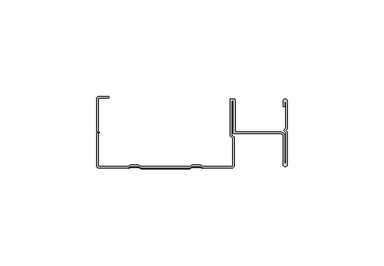
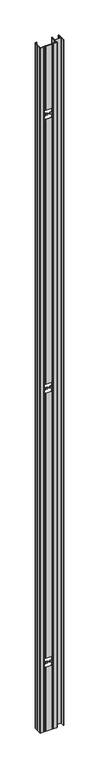
"""IFC4 building model written with IfcOpenShell, lengths in millimetres: proxy geometry."""

from ifc_helpers import new_model, si_unit, frame, origin, place, context, project, spatial, polyline, circle_curve, source, transform, mapped, element, save
from ifc_brep_helpers import plane_surface, cylinder_surface, revolved_surface, advanced_brep


def generic_models_7305a562(model_context):
    return source(origin(), model_context, "Body", "AdvancedBrep", [
        advanced_brep(
        [(-48.45, 36.2, 3000.0), (-42.95, 36.2, 3000.0), (-42.95, 37.0, 3000.0), (-48.15, 37.0, 3000.0), (-49.25, 35.9, 3000.0), (-49.25, 19.0, 3000.0), (-48.45, 18.5, 3000.0), (-49.25, 18.0, 3000.0), (-49.25, 1.1, 3000.0), (-48.15, 0.0, 3000.0), (-33.25, 0.0, 3000.0), (-31.75, 0.8, 3000.0), (-29.75, 0.8, 3000.0), (-27.75, 0.8, 3000.0), (-26.25, 0.0, 3000.0), (-1.2430409, 0.0, 3000.0), (0.2569591, 0.8, 3000.0), (2.2569591, 0.8, 3000.0), (4.2569591, 0.8, 3000.0), (5.7569591, 0.0, 3000.0), (20.6569591, 0.0, 3000.0), (21.7569591, 1.1, 3000.0), (21.7569591, 16.0924116, 3000.0), (20.45, 16.950429, 3000.0), (20.45, 34.3226497, 3000.0), (21.45, 34.9, 3000.0), (21.45, 17.7372826, 3000.0), (46.0194341, 17.7372826, 3000.0), (47.1194341, 16.6372826, 3000.0), (47.1194341, 1.8, 3000.0), (48.1847171, 0.700548, 3000.0), (49.25, 1.8, 3000.0), (49.25, 18.7, 3000.0), (48.45, 19.5, 3000.0), (49.25, 20.3, 3000.0), (49.25, 34.6, 3000.0), (48.1847171, 35.699452, 3000.0), (47.1194341, 34.6, 3000.0), (47.1194341, 31.722038, 3000.0), (47.9194341, 31.722038, 3000.0), (47.9194341, 34.6, 3000.0), (48.45, 33.5416995, 3000.0), (48.45, 20.6313708, 3000.0), (47.3186292, 19.5, 3000.0), (48.45, 18.3686292, 3000.0), (48.45, 2.718967, 3000.0), (47.9194341, 1.8, 3000.0), (47.9194341, 16.6372826, 3000.0), (46.0194341, 18.5372826, 3000.0), (22.25, 18.5372826, 3000.0), (22.25, 34.9, 3000.0), (21.8985281, 35.7485281, 3000.0), (20.0014719, 35.7485281, 3000.0), (19.65, 34.9, 3000.0), (19.65, 17.1663255, 3000.0), (20.1914377, 16.1631826, 3000.0), (20.9569591, 15.6606186, 3000.0), (20.9569591, 0.8, 3000.0), (5.7569591, 0.8, 3000.0), (4.2569591, 1.6, 3000.0), (0.2569591, 1.6, 3000.0), (-1.2430409, 0.8, 3000.0), (-26.25, 0.8, 3000.0), (-27.75, 1.6, 3000.0), (-31.75, 1.6, 3000.0), (-33.25, 0.8, 3000.0), (-48.45, 0.8, 3000.0), (-48.45, 18.0, 3000.0), (-47.65, 18.5, 3000.0), (-48.45, 19.0, 3000.0), (-48.45, 36.2, 0.0), (-48.45, 19.0, 0.0), (-47.65, 18.5, 0.0), (-48.45, 18.0, 0.0), (-48.45, 0.8, 0.0), (-33.25, 0.8, 0.0), (-31.75, 1.6, 0.0), (-27.75, 1.6, 0.0), (-26.25, 0.8, 0.0), (-1.2430409, 0.8, 0.0), (0.2569591, 1.6, 0.0), (4.2569591, 1.6, 0.0), (5.7569591, 0.8, 0.0), (20.9569591, 0.8, 0.0), (20.9569591, 15.6606186, 0.0), (20.1914377, 16.1631826, 0.0), (19.65, 17.1663255, 0.0), (19.65, 34.9, 0.0), (20.0014719, 35.7485281, 0.0), (21.8985281, 35.7485281, 0.0), (22.25, 34.9, 0.0), (22.25, 18.5372826, 0.0), (46.0194341, 18.5372826, 0.0), (47.9194341, 16.6372826, 0.0), (47.9194341, 1.8, 0.0), (48.45, 2.718967, 0.0), (48.45, 18.3686292, 0.0), (47.3186292, 19.5, 0.0), (48.45, 20.6313708, 0.0), (48.45, 33.5416995, 0.0), (47.9194341, 34.6, 0.0), (47.9194341, 31.722038, 0.0), (47.1194341, 31.722038, 0.0), (47.1194341, 34.6, 0.0), (48.1847171, 35.699452, 0.0), (49.25, 34.6, 0.0), (49.25, 20.3, 0.0), (48.45, 19.5, 0.0), (49.25, 18.7, 0.0), (49.25, 1.8, 0.0), (48.1847171, 0.700548, 0.0), (47.1194341, 1.8, 0.0), (47.1194341, 16.6372826, 0.0), (46.0194341, 17.7372826, 0.0), (21.45, 17.7372826, 0.0), (21.45, 34.9, 0.0), (20.45, 34.3226497, 0.0), (20.45, 16.950429, 0.0), (21.7569591, 16.0924116, 0.0), (21.7569591, 1.1, 0.0), (20.6569591, 0.0, 0.0), (5.7569591, 0.0, 0.0), (4.2569591, 0.8, 0.0), (2.2569591, 0.8, 0.0), (0.2569591, 0.8, 0.0), (-1.2430409, 0.0, 0.0), (-26.25, 0.0, 0.0), (-27.75, 0.8, 0.0), (-29.75, 0.8, 0.0), (-31.75, 0.8, 0.0), (-33.25, 0.0, 0.0), (-48.15, 0.0, 0.0), (-49.25, 1.1, 0.0), (-49.25, 18.0, 0.0), (-48.45, 18.5, 0.0), (-49.25, 19.0, 0.0), (-49.25, 35.9, 0.0), (-48.15, 37.0, 0.0), (-42.95, 37.0, 0.0), (-42.95, 36.2, 0.0), (-31.75, 0.8, 280.0), (-32.7465205, 0.2685224, 280.0), (-32.7465205, 0.2685224, 295.0), (-31.75, 0.8, 295.099652), (-31.75, 0.8, 304.900348), (-32.7465205, 0.2685224, 305.0), (-32.7465205, 0.2685224, 320.0), (-31.75, 0.8, 320.0), (-31.75, 0.8, 1480.0), (-32.7465205, 0.2685224, 1480.0), (-32.7465205, 0.2685224, 1495.0), (-31.75, 0.8, 1495.099652), (-31.75, 0.8, 1504.900348), (-32.7465205, 0.2685224, 1505.0), (-32.7465205, 0.2685224, 1520.0), (-31.75, 0.8, 1520.0), (-31.75, 0.8, 2680.0), (-32.7465205, 0.2685224, 2680.0), (-32.7465205, 0.2685224, 2695.0), (-31.75, 0.8, 2695.099652), (-31.75, 0.8, 2704.900348), (-32.7465205, 0.2685224, 2705.0), (-32.7465205, 0.2685224, 2720.0), (-31.75, 0.8, 2720.0), (-29.75, 0.8, 2720.0), (-29.75, 0.8, 280.0), (-29.75, 0.8, 295.299652), (-29.75, 0.8, 304.700348), (-29.75, 0.8, 1495.299652), (-29.75, 0.8, 1504.700348), (-29.75, 0.8, 2695.299652), (-29.75, 0.8, 2704.700348), (-29.75, 0.8, 320.0), (-29.75, 0.8, 1480.0), (-29.75, 0.8, 1520.0), (-29.75, 0.8, 2680.0), (-27.75, 0.8, 2720.0), (-27.75, 0.8, 280.0), (-27.75, 0.8, 295.499652), (-27.75, 0.8, 304.500348), (-27.75, 0.8, 1495.499652), (-27.75, 0.8, 1504.500348), (-27.75, 0.8, 2695.499652), (-27.75, 0.8, 2704.500348), (-27.75, 0.8, 320.0), (-27.75, 0.8, 1480.0), (-27.75, 0.8, 1520.0), (-27.75, 0.8, 2680.0), (-26.25, 0.0, 2720.0), (-26.25, 0.0, 280.0), (-26.25, 0.0, 295.649652), (-26.25, 0.0, 304.350348), (-26.25, 0.0, 1495.649652), (-26.25, 0.0, 1504.350348), (-26.25, 0.0, 2695.649652), (-26.25, 0.0, 2704.350348), (-26.25, 0.0, 320.0), (-26.25, 0.0, 1480.0), (-26.25, 0.0, 1520.0), (-26.25, 0.0, 2680.0), (-1.2430409, 0.0, 2720.0), (-1.2430409, 0.0, 280.0), (-18.6470168, 0.0, 296.4099504), (-17.7465205, 0.0, 297.4049876), (-17.7465205, 0.0, 302.5950124), (-18.6470168, 0.0, 303.5900496), (-18.6470168, 0.0, 1496.4099504), (-17.7465205, 0.0, 1497.4049876), (-17.7465205, 0.0, 1502.5950124), (-18.6470168, 0.0, 1503.5900496), (-18.6470168, 0.0, 2696.4099504), (-17.7465205, 0.0, 2697.4049876), (-17.7465205, 0.0, 2702.5950124), (-18.6470168, 0.0, 2703.5900496), (-1.2430409, 0.0, 295.649652), (-1.2430409, 0.0, 304.350348), (-8.8460242, 0.0, 303.5900496), (-9.7465205, 0.0, 302.5950124), (-9.7465205, 0.0, 297.4049876), (-8.8460242, 0.0, 296.4099504), (-1.2430409, 0.0, 320.0), (-1.2430409, 0.0, 1480.0), (-1.2430409, 0.0, 1520.0), (-1.2430409, 0.0, 2680.0), (-1.2430409, 0.0, 1495.649652), (-1.2430409, 0.0, 1504.350348), (-8.8460242, 0.0, 1503.5900496), (-9.7465205, 0.0, 1502.5950124), (-9.7465205, 0.0, 1497.4049876), (-8.8460242, 0.0, 1496.4099504), (-1.2430409, 0.0, 2695.649652), (-1.2430409, 0.0, 2704.350348), (-8.8460242, 0.0, 2703.5900496), (-9.7465205, 0.0, 2702.5950124), (-9.7465205, 0.0, 2697.4049876), (-8.8460242, 0.0, 2696.4099504), (0.2569591, 0.8, 2720.0), (0.2569591, 0.8, 280.0), (0.2569591, 0.8, 295.499652), (0.2569591, 0.8, 304.500348), (0.2569591, 0.8, 1495.499652), (0.2569591, 0.8, 1504.500348), (0.2569591, 0.8, 2695.499652), (0.2569591, 0.8, 2704.500348), (0.2569591, 0.8, 320.0), (0.2569591, 0.8, 1480.0), (0.2569591, 0.8, 1520.0), (0.2569591, 0.8, 2680.0), (2.2569591, 0.8, 2720.0), (2.2569591, 0.8, 280.0), (2.2569591, 0.8, 295.299652), (2.2569591, 0.8, 304.700348), (2.2569591, 0.8, 1495.299652), (2.2569591, 0.8, 1504.700348), (2.2569591, 0.8, 2695.299652), (2.2569591, 0.8, 2704.700348), (2.2569591, 0.8, 320.0), (2.2569591, 0.8, 1480.0), (2.2569591, 0.8, 1520.0), (2.2569591, 0.8, 2680.0), (4.2569591, 0.8, 2720.0), (4.2569591, 0.8, 280.0), (4.2569591, 0.8, 295.099652), (4.2569591, 0.8, 304.900348), (4.2569591, 0.8, 1495.099652), (4.2569591, 0.8, 1504.900348), (4.2569591, 0.8, 2695.099652), (4.2569591, 0.8, 2704.900348), (4.2569591, 0.8, 320.0), (4.2569591, 0.8, 1480.0), (4.2569591, 0.8, 1520.0), (4.2569591, 0.8, 2680.0), (5.2534795, 0.2685224, 2720.0), (5.2534795, 0.2685224, 2705.0), (5.2534795, 0.2685224, 2695.0), (5.2534795, 0.2685224, 2680.0), (5.2534795, 0.2685224, 1520.0), (5.2534795, 0.2685224, 1505.0), (5.2534795, 0.2685224, 1495.0), (5.2534795, 0.2685224, 1480.0), (5.2534795, 0.2685224, 320.0), (5.2534795, 0.2685224, 305.0), (5.2534795, 0.2685224, 295.0), (5.2534795, 0.2685224, 280.0), (4.2569591, 1.6, 280.0), (5.2534795, 1.0685224, 280.0), (5.2534795, 1.0685224, 295.0), (4.2569591, 1.6, 295.099652), (4.2569591, 1.6, 304.900348), (5.2534795, 1.0685224, 305.0), (5.2534795, 1.0685224, 320.0), (4.2569591, 1.6, 320.0), (4.2569591, 1.6, 1480.0), (5.2534795, 1.0685224, 1480.0), (5.2534795, 1.0685224, 1495.0), (4.2569591, 1.6, 1495.099652), (4.2569591, 1.6, 1504.900348), (5.2534795, 1.0685224, 1505.0), (5.2534795, 1.0685224, 1520.0), (4.2569591, 1.6, 1520.0), (4.2569591, 1.6, 2680.0), (5.2534795, 1.0685224, 2680.0), (5.2534795, 1.0685224, 2695.0), (4.2569591, 1.6, 2695.099652), (4.2569591, 1.6, 2704.900348), (5.2534795, 1.0685224, 2705.0), (5.2534795, 1.0685224, 2720.0), (4.2569591, 1.6, 2720.0), (0.2569591, 1.6, 2720.0), (0.2569591, 1.6, 280.0), (0.2569591, 1.6, 295.499652), (0.2569591, 1.6, 304.500348), (0.2569591, 1.6, 1495.499652), (0.2569591, 1.6, 1504.500348), (0.2569591, 1.6, 2695.499652), (0.2569591, 1.6, 2704.500348), (0.2569591, 1.6, 320.0), (0.2569591, 1.6, 1480.0), (0.2569591, 1.6, 1520.0), (0.2569591, 1.6, 2680.0), (-1.2430409, 0.8, 2720.0), (-1.2430409, 0.8, 280.0), (-1.2430409, 0.8, 295.649652), (-1.2430409, 0.8, 304.350348), (-1.2430409, 0.8, 1495.649652), (-1.2430409, 0.8, 1504.350348), (-1.2430409, 0.8, 2695.649652), (-1.2430409, 0.8, 2704.350348), (-1.2430409, 0.8, 320.0), (-1.2430409, 0.8, 1480.0), (-1.2430409, 0.8, 1520.0), (-1.2430409, 0.8, 2680.0), (-26.25, 0.8, 2720.0), (-26.25, 0.8, 280.0), (-8.8460242, 0.8, 296.4099504), (-9.7465205, 0.8, 297.4049876), (-9.7465205, 0.8, 302.5950124), (-8.8460242, 0.8, 303.5900496), (-8.8460242, 0.8, 1496.4099504), (-9.7465205, 0.8, 1497.4049876), (-9.7465205, 0.8, 1502.5950124), (-8.8460242, 0.8, 1503.5900496), (-8.8460242, 0.8, 2696.4099504), (-9.7465205, 0.8, 2697.4049876), (-9.7465205, 0.8, 2702.5950124), (-8.8460242, 0.8, 2703.5900496), (-26.25, 0.8, 295.649652), (-26.25, 0.8, 304.350348), (-18.6470168, 0.8, 303.5900496), (-17.7465205, 0.8, 302.5950124), (-17.7465205, 0.8, 297.4049876), (-18.6470168, 0.8, 296.4099504), (-26.25, 0.8, 320.0), (-26.25, 0.8, 1480.0), (-26.25, 0.8, 1520.0), (-26.25, 0.8, 2680.0), (-26.25, 0.8, 1495.649652), (-26.25, 0.8, 1504.350348), (-18.6470168, 0.8, 1503.5900496), (-17.7465205, 0.8, 1502.5950124), (-17.7465205, 0.8, 1497.4049876), (-18.6470168, 0.8, 1496.4099504), (-26.25, 0.8, 2695.649652), (-26.25, 0.8, 2704.350348), (-18.6470168, 0.8, 2703.5900496), (-17.7465205, 0.8, 2702.5950124), (-17.7465205, 0.8, 2697.4049876), (-18.6470168, 0.8, 2696.4099504), (-27.75, 1.6, 2720.0), (-27.75, 1.6, 280.0), (-27.75, 1.6, 295.499652), (-27.75, 1.6, 304.500348), (-27.75, 1.6, 1495.499652), (-27.75, 1.6, 1504.500348), (-27.75, 1.6, 2695.499652), (-27.75, 1.6, 2704.500348), (-27.75, 1.6, 320.0), (-27.75, 1.6, 1480.0), (-27.75, 1.6, 1520.0), (-27.75, 1.6, 2680.0), (-31.75, 1.6, 2720.0), (-31.75, 1.6, 280.0), (-31.75, 1.6, 295.099652), (-31.75, 1.6, 304.900348), (-31.75, 1.6, 1495.099652), (-31.75, 1.6, 1504.900348), (-31.75, 1.6, 2695.099652), (-31.75, 1.6, 2704.900348), (-31.75, 1.6, 320.0), (-31.75, 1.6, 1480.0), (-31.75, 1.6, 1520.0), (-31.75, 1.6, 2680.0), (-32.7465205, 1.0685224, 2720.0), (-32.7465205, 1.0685224, 2705.0), (-32.7465205, 1.0685224, 2695.0), (-32.7465205, 1.0685224, 2680.0), (-32.7465205, 1.0685224, 1520.0), (-32.7465205, 1.0685224, 1505.0), (-32.7465205, 1.0685224, 1495.0), (-32.7465205, 1.0685224, 1480.0), (-32.7465205, 1.0685224, 320.0), (-32.7465205, 1.0685224, 305.0), (-32.7465205, 1.0685224, 295.0), (-32.7465205, 1.0685224, 280.0)],
        [
            (0, 1),
            (1, 2),
            (2, 3),
            (3, 4, circle_curve(frame((-48.15, 35.9, 3000.0), z_axis=(0.0, 0.0, 1.0), x_axis=(1.0, 0.0, 0.0)), 1.1)),
            (4, 5),
            (5, 6),
            (6, 7),
            (7, 8),
            (8, 9, circle_curve(frame((-48.15, 1.1, 3000.0), z_axis=(0.0, 0.0, 1.0), x_axis=(1.0, 0.0, 0.0)), 1.1)),
            (9, 10),
            (10, 11),
            (11, 12),
            (12, 13),
            (13, 14),
            (14, 15),
            (15, 16),
            (16, 17),
            (17, 18),
            (18, 19),
            (19, 20),
            (20, 21, circle_curve(frame((20.6569591, 1.1, 3000.0), z_axis=(0.0, 0.0, 1.0), x_axis=(1.0, 0.0, 0.0)), 1.1)),
            (21, 22),
            (22, 23),
            (23, 24),
            (24, 25),
            (25, 26),
            (26, 27),
            (27, 28, circle_curve(frame((46.0194341, 16.6372826, 3000.0), z_axis=(0.0, 0.0, -1.0), x_axis=(1.0, 0.0, 0.0)), 1.1)),
            (28, 29),
            (29, 30, circle_curve(frame((48.2194341, 1.8, 3000.0), z_axis=(0.0, 0.0, 1.0), x_axis=(1.0, 0.0, 0.0)), 1.1)),
            (30, 31, circle_curve(frame((48.15, 1.8, 3000.0), z_axis=(0.0, 0.0, 1.0), x_axis=(1.0, 0.0, 0.0)), 1.1)),
            (31, 32),
            (32, 33),
            (33, 34),
            (34, 35),
            (35, 36, circle_curve(frame((48.15, 34.6, 3000.0), z_axis=(0.0, 0.0, 1.0), x_axis=(1.0, 0.0, 0.0)), 1.1)),
            (36, 37, circle_curve(frame((48.2194341, 34.6, 3000.0), z_axis=(0.0, 0.0, 1.0), x_axis=(1.0, 0.0, 0.0)), 1.1)),
            (37, 38),
            (38, 39),
            (39, 40),
            (40, 41),
            (41, 42),
            (42, 43),
            (43, 44),
            (44, 45),
            (45, 46),
            (46, 47),
            (47, 48, circle_curve(frame((46.0194341, 16.6372826, 3000.0), z_axis=(0.0, 0.0, 1.0), x_axis=(1.0, 0.0, 0.0)), 1.9)),
            (48, 49),
            (49, 50),
            (50, 51, circle_curve(frame((21.05, 34.9, 3000.0), z_axis=(0.0, 0.0, 1.0), x_axis=(1.0, 0.0, 0.0)), 1.2)),
            (51, 52),
            (52, 53, circle_curve(frame((20.85, 34.9, 3000.0), z_axis=(0.0, 0.0, 1.0), x_axis=(1.0, 0.0, 0.0)), 1.2)),
            (53, 54),
            (54, 55, circle_curve(frame((20.85, 17.1663255, 3000.0), z_axis=(0.0, 0.0, 1.0), x_axis=(1.0, 0.0, 0.0)), 1.2)),
            (55, 56),
            (56, 57),
            (57, 58),
            (58, 59),
            (59, 60),
            (60, 61),
            (61, 62),
            (62, 63),
            (63, 64),
            (64, 65),
            (65, 66),
            (66, 67),
            (67, 68),
            (68, 69),
            (69, 0),
            (70, 71),
            (71, 72),
            (72, 73),
            (73, 74),
            (74, 75),
            (75, 76),
            (76, 77),
            (77, 78),
            (78, 79),
            (79, 80),
            (80, 81),
            (81, 82),
            (82, 83),
            (83, 84),
            (84, 85),
            (85, 86, circle_curve(frame((20.85, 17.1663255, 0.0), z_axis=(0.0, 0.0, -1.0), x_axis=(1.0, 0.0, 0.0)), 1.2)),
            (86, 87),
            (87, 88, circle_curve(frame((20.85, 34.9, 0.0), z_axis=(0.0, 0.0, -1.0), x_axis=(1.0, 0.0, 0.0)), 1.2)),
            (88, 89),
            (89, 90, circle_curve(frame((21.05, 34.9, 0.0), z_axis=(0.0, 0.0, -1.0), x_axis=(1.0, 0.0, 0.0)), 1.2)),
            (90, 91),
            (91, 92),
            (92, 93, circle_curve(frame((46.0194341, 16.6372826, 0.0), z_axis=(0.0, 0.0, -1.0), x_axis=(1.0, 0.0, 0.0)), 1.9)),
            (93, 94),
            (94, 95),
            (95, 96),
            (96, 97),
            (97, 98),
            (98, 99),
            (99, 100),
            (100, 101),
            (101, 102),
            (102, 103),
            (103, 104, circle_curve(frame((48.2194341, 34.6, 0.0), z_axis=(0.0, 0.0, -1.0), x_axis=(1.0, 0.0, 0.0)), 1.1)),
            (104, 105, circle_curve(frame((48.15, 34.6, 0.0), z_axis=(0.0, 0.0, -1.0), x_axis=(1.0, 0.0, 0.0)), 1.1)),
            (105, 106),
            (106, 107),
            (107, 108),
            (108, 109),
            (109, 110, circle_curve(frame((48.15, 1.8, 0.0), z_axis=(0.0, 0.0, -1.0), x_axis=(1.0, 0.0, 0.0)), 1.1)),
            (110, 111, circle_curve(frame((48.2194341, 1.8, 0.0), z_axis=(0.0, 0.0, -1.0), x_axis=(1.0, 0.0, 0.0)), 1.1)),
            (111, 112),
            (112, 113, circle_curve(frame((46.0194341, 16.6372826, 0.0), z_axis=(0.0, 0.0, 1.0), x_axis=(1.0, 0.0, 0.0)), 1.1)),
            (113, 114),
            (114, 115),
            (115, 116),
            (116, 117),
            (117, 118),
            (118, 119),
            (119, 120, circle_curve(frame((20.6569591, 1.1, 0.0), z_axis=(0.0, 0.0, -1.0), x_axis=(1.0, 0.0, 0.0)), 1.1)),
            (120, 121),
            (121, 122),
            (122, 123),
            (123, 124),
            (124, 125),
            (125, 126),
            (126, 127),
            (127, 128),
            (128, 129),
            (129, 130),
            (130, 131),
            (131, 132, circle_curve(frame((-48.15, 1.1, 0.0), z_axis=(0.0, 0.0, -1.0), x_axis=(1.0, 0.0, 0.0)), 1.1)),
            (132, 133),
            (133, 134),
            (134, 135),
            (135, 136),
            (136, 137, circle_curve(frame((-48.15, 35.9, 0.0), z_axis=(0.0, 0.0, -1.0), x_axis=(1.0, 0.0, 0.0)), 1.1)),
            (137, 138),
            (138, 139),
            (139, 70),
            (0, 70),
            (139, 1),
            (138, 2),
            (137, 3),
            (136, 4),
            (135, 5),
            (134, 6),
            (133, 7),
            (132, 8),
            (131, 9),
            (130, 10),
            (129, 140),
            (140, 141),
            (141, 142),
            (142, 143),
            (143, 144),
            (144, 145),
            (145, 146),
            (146, 147),
            (147, 148),
            (148, 149),
            (149, 150),
            (150, 151),
            (151, 152),
            (152, 153),
            (153, 154),
            (154, 155),
            (155, 156),
            (156, 157),
            (157, 158),
            (158, 159),
            (159, 160),
            (160, 161),
            (161, 162),
            (162, 163),
            (163, 11),
            (163, 164),
            (164, 12),
            (128, 165),
            (165, 140),
            (143, 166),
            (166, 167),
            (167, 144),
            (151, 168),
            (168, 169),
            (169, 152),
            (159, 170),
            (170, 171),
            (171, 160),
            (147, 172),
            (172, 173),
            (173, 148),
            (155, 174),
            (174, 175),
            (175, 156),
            (164, 176),
            (176, 13),
            (127, 177),
            (177, 165),
            (166, 178),
            (178, 179),
            (179, 167),
            (168, 180),
            (180, 181),
            (181, 169),
            (170, 182),
            (182, 183),
            (183, 171),
            (172, 184),
            (184, 185),
            (185, 173),
            (174, 186),
            (186, 187),
            (187, 175),
            (176, 188),
            (188, 14),
            (126, 189),
            (189, 177),
            (178, 190),
            (190, 191),
            (191, 179),
            (180, 192),
            (192, 193),
            (193, 181),
            (182, 194),
            (194, 195),
            (195, 183),
            (184, 196),
            (196, 197),
            (197, 185),
            (186, 198),
            (198, 199),
            (199, 187),
            (188, 200),
            (200, 15),
            (125, 201),
            (201, 189),
            (190, 202),
            (202, 203, circle_curve(frame((-18.7465205, 0.0, 297.4049876), z_axis=(0.0, -1.0, 0.0), x_axis=(0.0, 0.0, -1.0)), 1.0)),
            (203, 204),
            (204, 205, circle_curve(frame((-18.7465205, 0.0, 302.5950124), z_axis=(0.0, -1.0, 0.0), x_axis=(0.0, 0.0, -1.0)), 1.0)),
            (205, 191),
            (192, 206),
            (206, 207, circle_curve(frame((-18.7465205, 0.0, 1497.4049876), z_axis=(0.0, -1.0, 0.0), x_axis=(0.0, 0.0, -1.0)), 1.0)),
            (207, 208),
            (208, 209, circle_curve(frame((-18.7465205, 0.0, 1502.5950124), z_axis=(0.0, -1.0, 0.0), x_axis=(0.0, 0.0, -1.0)), 1.0)),
            (209, 193),
            (194, 210),
            (210, 211, circle_curve(frame((-18.7465205, 0.0, 2697.4049876), z_axis=(0.0, -1.0, 0.0), x_axis=(0.0, 0.0, -1.0)), 1.0)),
            (211, 212),
            (212, 213, circle_curve(frame((-18.7465205, 0.0, 2702.5950124), z_axis=(0.0, -1.0, 0.0), x_axis=(0.0, 0.0, -1.0)), 1.0)),
            (213, 195),
            (214, 215),
            (215, 216),
            (216, 217, circle_curve(frame((-8.7465205, 0.0, 302.5950124), z_axis=(0.0, -1.0, 0.0), x_axis=(0.0, 0.0, -1.0)), 1.0)),
            (217, 218),
            (218, 219, circle_curve(frame((-8.7465205, 0.0, 297.4049876), z_axis=(0.0, -1.0, 0.0), x_axis=(0.0, 0.0, -1.0)), 1.0)),
            (219, 214),
            (196, 220),
            (220, 221),
            (221, 197),
            (198, 222),
            (222, 223),
            (223, 199),
            (224, 225),
            (225, 226),
            (226, 227, circle_curve(frame((-8.7465205, 0.0, 1502.5950124), z_axis=(0.0, -1.0, 0.0), x_axis=(0.0, 0.0, -1.0)), 1.0)),
            (227, 228),
            (228, 229, circle_curve(frame((-8.7465205, 0.0, 1497.4049876), z_axis=(0.0, -1.0, 0.0), x_axis=(0.0, 0.0, -1.0)), 1.0)),
            (229, 224),
            (230, 231),
            (231, 232),
            (232, 233, circle_curve(frame((-8.7465205, 0.0, 2702.5950124), z_axis=(0.0, -1.0, 0.0), x_axis=(0.0, 0.0, -1.0)), 1.0)),
            (233, 234),
            (234, 235, circle_curve(frame((-8.7465205, 0.0, 2697.4049876), z_axis=(0.0, -1.0, 0.0), x_axis=(0.0, 0.0, -1.0)), 1.0)),
            (235, 230),
            (200, 236),
            (236, 16),
            (124, 237),
            (237, 201),
            (214, 238),
            (238, 239),
            (239, 215),
            (224, 240),
            (240, 241),
            (241, 225),
            (230, 242),
            (242, 243),
            (243, 231),
            (220, 244),
            (244, 245),
            (245, 221),
            (222, 246),
            (246, 247),
            (247, 223),
            (236, 248),
            (248, 17),
            (123, 249),
            (249, 237),
            (238, 250),
            (250, 251),
            (251, 239),
            (240, 252),
            (252, 253),
            (253, 241),
            (242, 254),
            (254, 255),
            (255, 243),
            (244, 256),
            (256, 257),
            (257, 245),
            (246, 258),
            (258, 259),
            (259, 247),
            (248, 260),
            (260, 18),
            (122, 261),
            (261, 249),
            (250, 262),
            (262, 263),
            (263, 251),
            (252, 264),
            (264, 265),
            (265, 253),
            (254, 266),
            (266, 267),
            (267, 255),
            (256, 268),
            (268, 269),
            (269, 257),
            (258, 270),
            (270, 271),
            (271, 259),
            (260, 272),
            (272, 273),
            (273, 267),
            (266, 274),
            (274, 275),
            (275, 271),
            (270, 276),
            (276, 277),
            (277, 265),
            (264, 278),
            (278, 279),
            (279, 269),
            (268, 280),
            (280, 281),
            (281, 263),
            (262, 282),
            (282, 283),
            (283, 261),
            (121, 19),
            (120, 20),
            (119, 21),
            (118, 22),
            (117, 23),
            (116, 24),
            (115, 25),
            (114, 26),
            (113, 27),
            (112, 28),
            (111, 29),
            (110, 30),
            (109, 31),
            (108, 32),
            (107, 33),
            (106, 34),
            (105, 35),
            (104, 36),
            (103, 37),
            (102, 38),
            (101, 39),
            (100, 40),
            (99, 41),
            (98, 42),
            (97, 43),
            (96, 44),
            (95, 45),
            (94, 46),
            (93, 47),
            (92, 48),
            (91, 49),
            (90, 50),
            (89, 51),
            (88, 52),
            (87, 53),
            (86, 54),
            (85, 55),
            (84, 56),
            (83, 57),
            (82, 58),
            (81, 284),
            (284, 285),
            (285, 286),
            (286, 287),
            (287, 288),
            (288, 289),
            (289, 290),
            (290, 291),
            (291, 292),
            (292, 293),
            (293, 294),
            (294, 295),
            (295, 296),
            (296, 297),
            (297, 298),
            (298, 299),
            (299, 300),
            (300, 301),
            (301, 302),
            (302, 303),
            (303, 304),
            (304, 305),
            (305, 306),
            (306, 307),
            (307, 59),
            (307, 308),
            (308, 60),
            (80, 309),
            (309, 284),
            (287, 310),
            (310, 311),
            (311, 288),
            (295, 312),
            (312, 313),
            (313, 296),
            (303, 314),
            (314, 315),
            (315, 304),
            (291, 316),
            (316, 317),
            (317, 292),
            (299, 318),
            (318, 319),
            (319, 300),
            (308, 320),
            (320, 61),
            (79, 321),
            (321, 309),
            (310, 322),
            (322, 323),
            (323, 311),
            (312, 324),
            (324, 325),
            (325, 313),
            (314, 326),
            (326, 327),
            (327, 315),
            (316, 328),
            (328, 329),
            (329, 317),
            (318, 330),
            (330, 331),
            (331, 319),
            (320, 332),
            (332, 62),
            (78, 333),
            (333, 321),
            (322, 334),
            (334, 335, circle_curve(frame((-8.7465205, 0.8, 297.4049876), z_axis=(0.0, 1.0, 0.0), x_axis=(0.0, 0.0, -1.0)), 1.0)),
            (335, 336),
            (336, 337, circle_curve(frame((-8.7465205, 0.8, 302.5950124), z_axis=(0.0, 1.0, 0.0), x_axis=(0.0, 0.0, -1.0)), 1.0)),
            (337, 323),
            (324, 338),
            (338, 339, circle_curve(frame((-8.7465205, 0.8, 1497.4049876), z_axis=(0.0, 1.0, 0.0), x_axis=(0.0, 0.0, -1.0)), 1.0)),
            (339, 340),
            (340, 341, circle_curve(frame((-8.7465205, 0.8, 1502.5950124), z_axis=(0.0, 1.0, 0.0), x_axis=(0.0, 0.0, -1.0)), 1.0)),
            (341, 325),
            (326, 342),
            (342, 343, circle_curve(frame((-8.7465205, 0.8, 2697.4049876), z_axis=(0.0, 1.0, 0.0), x_axis=(0.0, 0.0, -1.0)), 1.0)),
            (343, 344),
            (344, 345, circle_curve(frame((-8.7465205, 0.8, 2702.5950124), z_axis=(0.0, 1.0, 0.0), x_axis=(0.0, 0.0, -1.0)), 1.0)),
            (345, 327),
            (346, 347),
            (347, 348),
            (348, 349, circle_curve(frame((-18.7465205, 0.8, 302.5950124), z_axis=(0.0, 1.0, 0.0), x_axis=(0.0, 0.0, -1.0)), 1.0)),
            (349, 350),
            (350, 351, circle_curve(frame((-18.7465205, 0.8, 297.4049876), z_axis=(0.0, 1.0, 0.0), x_axis=(0.0, 0.0, -1.0)), 1.0)),
            (351, 346),
            (328, 352),
            (352, 353),
            (353, 329),
            (330, 354),
            (354, 355),
            (355, 331),
            (356, 357),
            (357, 358),
            (358, 359, circle_curve(frame((-18.7465205, 0.8, 1502.5950124), z_axis=(0.0, 1.0, 0.0), x_axis=(0.0, 0.0, -1.0)), 1.0)),
            (359, 360),
            (360, 361, circle_curve(frame((-18.7465205, 0.8, 1497.4049876), z_axis=(0.0, 1.0, 0.0), x_axis=(0.0, 0.0, -1.0)), 1.0)),
            (361, 356),
            (362, 363),
            (363, 364),
            (364, 365, circle_curve(frame((-18.7465205, 0.8, 2702.5950124), z_axis=(0.0, 1.0, 0.0), x_axis=(0.0, 0.0, -1.0)), 1.0)),
            (365, 366),
            (366, 367, circle_curve(frame((-18.7465205, 0.8, 2697.4049876), z_axis=(0.0, 1.0, 0.0), x_axis=(0.0, 0.0, -1.0)), 1.0)),
            (367, 362),
            (332, 368),
            (368, 63),
            (77, 369),
            (369, 333),
            (346, 370),
            (370, 371),
            (371, 347),
            (356, 372),
            (372, 373),
            (373, 357),
            (362, 374),
            (374, 375),
            (375, 363),
            (352, 376),
            (376, 377),
            (377, 353),
            (354, 378),
            (378, 379),
            (379, 355),
            (368, 380),
            (380, 64),
            (76, 381),
            (381, 369),
            (370, 382),
            (382, 383),
            (383, 371),
            (372, 384),
            (384, 385),
            (385, 373),
            (374, 386),
            (386, 387),
            (387, 375),
            (376, 388),
            (388, 389),
            (389, 377),
            (378, 390),
            (390, 391),
            (391, 379),
            (380, 392),
            (392, 393),
            (393, 387),
            (386, 394),
            (394, 395),
            (395, 391),
            (390, 396),
            (396, 397),
            (397, 385),
            (384, 398),
            (398, 399),
            (399, 389),
            (388, 400),
            (400, 401),
            (401, 383),
            (382, 402),
            (402, 403),
            (403, 381),
            (75, 65),
            (74, 66),
            (73, 67),
            (72, 68),
            (71, 69),
            (285, 283),
            (282, 286),
            (219, 334),
            (218, 335),
            (217, 336),
            (216, 337),
            (281, 289),
            (280, 290),
            (146, 400),
            (145, 401),
            (205, 348),
            (204, 349),
            (203, 350),
            (202, 351),
            (142, 402),
            (141, 403),
            (293, 279),
            (278, 294),
            (229, 338),
            (228, 339),
            (227, 340),
            (226, 341),
            (277, 297),
            (276, 298),
            (154, 396),
            (153, 397),
            (209, 358),
            (208, 359),
            (207, 360),
            (206, 361),
            (150, 398),
            (149, 399),
            (301, 275),
            (274, 302),
            (235, 342),
            (234, 343),
            (233, 344),
            (232, 345),
            (273, 305),
            (272, 306),
            (162, 392),
            (161, 393),
            (213, 364),
            (212, 365),
            (211, 366),
            (210, 367),
            (158, 394),
            (157, 395),
        ],
        [
            plane_surface(frame((-42.95, 36.2, 3000.0), z_axis=(0.0, 0.0, 1.0), x_axis=(1.0, 0.0, 0.0))),
            plane_surface(frame((-42.95, 36.2, 0.0), z_axis=(0.0, 0.0, -1.0), x_axis=(-1.0, 0.0, 0.0))),
            plane_surface(frame((-48.45, 36.2, 3000.0), z_axis=(0.0, -1.0, 0.0), x_axis=(0.0, 0.0, -1.0))),
            plane_surface(frame((-42.95, 36.2, 3000.0), z_axis=(1.0, 0.0, 0.0), x_axis=(0.0, 0.0, -1.0))),
            plane_surface(frame((-42.95, 37.0, 3000.0), z_axis=(0.0, 1.0, 0.0), x_axis=(0.0, 0.0, -1.0))),
            cylinder_surface(frame((-48.15, 35.9, 0.0), z_axis=(0.0, 0.0, 1.0), x_axis=(1.0, 0.0, 0.0)), 1.1),
            plane_surface(frame((-49.25, 35.9, 3000.0), z_axis=(-1.0, 0.0, 0.0), x_axis=(0.0, 0.0, -1.0))),
            plane_surface(frame((-49.25, 19.0, 3000.0), z_axis=(-0.5299989400029833, -0.8479983040052109, 0.0), x_axis=(0.0, 0.0, -1.0))),
            plane_surface(frame((-48.45, 18.5, 3000.0), z_axis=(-0.5299989400029769, 0.8479983040052149, 0.0), x_axis=(0.0, 0.0, -1.0))),
            plane_surface(frame((-49.25, 18.0, 3000.0), z_axis=(-1.0, 0.0, 0.0), x_axis=(0.0, 0.0, -1.0))),
            cylinder_surface(frame((-48.15, 1.1, 0.0), z_axis=(0.0, 0.0, 1.0), x_axis=(1.0, 0.0, 0.0)), 1.1),
            plane_surface(frame((-48.15, 0.0, 3000.0), z_axis=(0.0, -1.0, 0.0), x_axis=(0.0, 0.0, -1.0))),
            plane_surface(frame((-33.25, 0.0, 3000.0), z_axis=(0.4705882352940174, -0.8823529411765241, 0.0), x_axis=(0.0, 0.0, -1.0))),
            plane_surface(frame((-31.75, 0.8, 3000.0), z_axis=(0.0, -1.0, 0.0), x_axis=(0.0, 0.0, -1.0))),
            plane_surface(frame((-29.75, 0.8, 3000.0), z_axis=(0.0, -1.0, 0.0), x_axis=(0.0, 0.0, -1.0))),
            plane_surface(frame((-27.75, 0.8, 3000.0), z_axis=(-0.4705882352941196, -0.8823529411764697, 0.0), x_axis=(0.0, 0.0, -1.0))),
            plane_surface(frame((-26.25, 0.0, 3000.0), z_axis=(0.0, -1.0, 0.0), x_axis=(0.0, 0.0, -1.0))),
            plane_surface(frame((-1.2430409, 0.0, 3000.0), z_axis=(0.4705882352940605, -0.8823529411765011, 0.0), x_axis=(0.0, 0.0, -1.0))),
            plane_surface(frame((0.2569591, 0.8, 3000.0), z_axis=(0.0, -1.0, 0.0), x_axis=(0.0, 0.0, -1.0))),
            plane_surface(frame((2.2569591, 0.8, 3000.0), z_axis=(0.0, -1.0, 0.0), x_axis=(0.0, 0.0, -1.0))),
            plane_surface(frame((4.2569591, 0.8, 3000.0), z_axis=(-0.47058823529406923, -0.8823529411764964, 0.0), x_axis=(0.0, 0.0, -1.0))),
            plane_surface(frame((5.7569591, 0.0, 3000.0), z_axis=(0.0, -1.0, 0.0), x_axis=(0.0, 0.0, -1.0))),
            cylinder_surface(frame((20.6569591, 1.1, 0.0), z_axis=(0.0, 0.0, 1.0), x_axis=(1.0, 0.0, 0.0)), 1.1),
            plane_surface(frame((21.7569591, 1.1, 3000.0), z_axis=(1.0, 0.0, 0.0), x_axis=(0.0, 0.0, -1.0))),
            plane_surface(frame((21.7569591, 16.0924116, 3000.0), z_axis=(0.5488019530424924, 0.8359524007602024, 0.0), x_axis=(0.0, 0.0, -1.0))),
            plane_surface(frame((20.45, 16.950429, 3000.0), z_axis=(1.0, 0.0, 0.0), x_axis=(0.0, 0.0, -1.0))),
            plane_surface(frame((20.45, 34.3226497, 3000.0), z_axis=(0.499999999999997, -0.8660254037844404, 0.0), x_axis=(0.0, 0.0, -1.0))),
            plane_surface(frame((21.45, 34.9, 3000.0), z_axis=(-1.0, 0.0, 0.0), x_axis=(0.0, 0.0, -1.0))),
            plane_surface(frame((21.45, 17.7372826, 3000.0), z_axis=(0.0, -1.0, 0.0), x_axis=(0.0, 0.0, -1.0))),
            revolved_surface(polyline([(47.1194341, 16.6372826, 0.0), (47.1194341, 16.6372826, 3000.0)]), (46.0194341, 16.6372826, 0.0), (0.0, 0.0, -1.0)),
            plane_surface(frame((47.1194341, 16.6372826, 3000.0), z_axis=(-1.0, 0.0, 0.0), x_axis=(0.0, 0.0, -1.0))),
            cylinder_surface(frame((48.2194341, 1.8, 0.0), z_axis=(0.0, 0.0, 1.0), x_axis=(1.0, 0.0, 0.0)), 1.1),
            cylinder_surface(frame((48.15, 1.8, 0.0), z_axis=(0.0, 0.0, 1.0), x_axis=(1.0, 0.0, 0.0)), 1.1),
            plane_surface(frame((49.25, 1.8, 3000.0), z_axis=(1.0, 0.0, 0.0), x_axis=(0.0, 0.0, -1.0))),
            plane_surface(frame((49.25, 18.7, 3000.0), z_axis=(0.7071067811865503, 0.7071067811865447, 0.0), x_axis=(0.0, 0.0, -1.0))),
            plane_surface(frame((48.45, 19.5, 3000.0), z_axis=(0.7071067811868953, -0.7071067811861999, 0.0), x_axis=(0.0, 0.0, -1.0))),
            plane_surface(frame((49.25, 20.3, 3000.0), z_axis=(1.0, 0.0, 0.0), x_axis=(0.0, 0.0, -1.0))),
            cylinder_surface(frame((48.15, 34.6, 0.0), z_axis=(0.0, 0.0, 1.0), x_axis=(1.0, 0.0, 0.0)), 1.1),
            cylinder_surface(frame((48.2194341, 34.6, 0.0), z_axis=(0.0, 0.0, 1.0), x_axis=(1.0, 0.0, 0.0)), 1.1),
            plane_surface(frame((47.1194341, 34.6, 3000.0), z_axis=(-1.0, 0.0, 0.0), x_axis=(0.0, 0.0, -1.0))),
            plane_surface(frame((47.1194341, 31.722038, 3000.0), z_axis=(0.0, -1.0, 0.0), x_axis=(0.0, 0.0, -1.0))),
            plane_surface(frame((47.9194341, 31.722038, 3000.0), z_axis=(1.0, 0.0, 0.0), x_axis=(0.0, 0.0, -1.0))),
            plane_surface(frame((47.9194341, 34.6, 3000.0), z_axis=(-0.8939483787901537, -0.4481699410474291, 0.0), x_axis=(0.0, 0.0, -1.0))),
            plane_surface(frame((48.45, 33.5416995, 3000.0), z_axis=(-1.0, 0.0, 0.0), x_axis=(0.0, 0.0, -1.0))),
            plane_surface(frame((48.45, 20.6313708, 3000.0), z_axis=(-0.7071067811869176, 0.7071067811861774, 0.0), x_axis=(0.0, 0.0, -1.0))),
            plane_surface(frame((47.3186292, 19.5, 3000.0), z_axis=(-0.7071067811865396, -0.7071067811865555, 0.0), x_axis=(0.0, 0.0, -1.0))),
            plane_surface(frame((48.45, 18.3686292, 3000.0), z_axis=(-1.0, 0.0, 0.0), x_axis=(0.0, 0.0, -1.0))),
            plane_surface(frame((48.45, 2.718967, 3000.0), z_axis=(-0.8660254037844343, 0.5000000000000077, 0.0), x_axis=(0.0, 0.0, -1.0))),
            plane_surface(frame((47.9194341, 1.8, 3000.0), z_axis=(1.0, 0.0, 0.0), x_axis=(0.0, 0.0, -1.0))),
            cylinder_surface(frame((46.0194341, 16.6372826, 0.0), z_axis=(0.0, 0.0, 1.0), x_axis=(1.0, 0.0, 0.0)), 1.9),
            plane_surface(frame((46.0194341, 18.5372826, 3000.0), z_axis=(0.0, 1.0, 0.0), x_axis=(0.0, 0.0, -1.0))),
            plane_surface(frame((22.25, 18.5372826, 3000.0), z_axis=(1.0, 0.0, 0.0), x_axis=(0.0, 0.0, -1.0))),
            cylinder_surface(frame((21.05, 34.9, 0.0), z_axis=(0.0, 0.0, 1.0), x_axis=(1.0, 0.0, 0.0)), 1.2),
            plane_surface(frame((21.8985281, 35.7485281, 3000.0), z_axis=(0.0, 1.0, 0.0), x_axis=(0.0, 0.0, -1.0))),
            cylinder_surface(frame((20.85, 34.9, 0.0), z_axis=(0.0, 0.0, 1.0), x_axis=(1.0, 0.0, 0.0)), 1.2),
            plane_surface(frame((19.65, 34.9, 3000.0), z_axis=(-1.0, 0.0, 0.0), x_axis=(0.0, 0.0, -1.0))),
            cylinder_surface(frame((20.85, 17.1663255, 0.0), z_axis=(0.0, 0.0, 1.0), x_axis=(1.0, 0.0, 0.0)), 1.2),
            plane_surface(frame((20.1914377, 16.1631826, 3000.0), z_axis=(-0.54880195304252, -0.8359524007601843, 0.0), x_axis=(0.0, 0.0, -1.0))),
            plane_surface(frame((20.9569591, 15.6606186, 3000.0), z_axis=(-1.0, 0.0, 0.0), x_axis=(0.0, 0.0, -1.0))),
            plane_surface(frame((20.9569591, 0.8, 3000.0), z_axis=(0.0, 1.0, 0.0), x_axis=(0.0, 0.0, -1.0))),
            plane_surface(frame((5.7569591, 0.8, 3000.0), z_axis=(0.47058823529406113, 0.8823529411765008, 0.0), x_axis=(0.0, 0.0, -1.0))),
            plane_surface(frame((4.2569591, 1.6, 3000.0), z_axis=(0.0, 1.0, 0.0), x_axis=(0.0, 0.0, -1.0))),
            plane_surface(frame((0.2569591, 1.6, 3000.0), z_axis=(-0.47058823529410565, 0.882352941176477, 0.0), x_axis=(0.0, 0.0, -1.0))),
            plane_surface(frame((-1.2430409, 0.8, 3000.0), z_axis=(0.0, 1.0, 0.0), x_axis=(0.0, 0.0, -1.0))),
            plane_surface(frame((-26.25, 0.8, 3000.0), z_axis=(0.470588235294112, 0.8823529411764737, 0.0), x_axis=(0.0, 0.0, -1.0))),
            plane_surface(frame((-27.75, 1.6, 3000.0), z_axis=(0.0, 1.0, 0.0), x_axis=(0.0, 0.0, -1.0))),
            plane_surface(frame((-31.75, 1.6, 3000.0), z_axis=(-0.4705882352940553, 0.8823529411765039, 0.0), x_axis=(0.0, 0.0, -1.0))),
            plane_surface(frame((-33.25, 0.8, 3000.0), z_axis=(0.0, 1.0, 0.0), x_axis=(0.0, 0.0, -1.0))),
            plane_surface(frame((-48.45, 0.8, 3000.0), z_axis=(1.0, 0.0, 0.0), x_axis=(0.0, 0.0, -1.0))),
            plane_surface(frame((-48.45, 18.0, 3000.0), z_axis=(0.5299989400029946, -0.8479983040052038, 0.0), x_axis=(0.0, 0.0, -1.0))),
            plane_surface(frame((-47.65, 18.5, 3000.0), z_axis=(0.5299989400030026, 0.8479983040051988, 0.0), x_axis=(0.0, 0.0, -1.0))),
            plane_surface(frame((-48.45, 19.0, 3000.0), z_axis=(1.0, 0.0, 0.0), x_axis=(0.0, 0.0, -1.0))),
            plane_surface(frame((5.2534795, -250.0, 280.0), z_axis=(-1.0, 0.0, 0.0), x_axis=(0.0, 1.0, 0.0))),
            plane_surface(frame((5.2534795, -250.0, 295.0), z_axis=(-0.09950371902100412, 0.0, -0.9950371902099887), x_axis=(0.0, 1.0, 0.0))),
            cylinder_surface(frame((-8.7465205, 133.0702704, 297.4049876), z_axis=(0.0, 1.0, 0.0), x_axis=(0.0, 0.0, -1.0)), 1.0),
            plane_surface(frame((-9.7465205, -250.0, 297.4049876), z_axis=(-1.0, 0.0, 0.0), x_axis=(0.0, 1.0, 0.0))),
            cylinder_surface(frame((-8.7465205, 133.0702704, 302.5950124), z_axis=(0.0, 1.0, 0.0), x_axis=(0.0, 0.0, -1.0)), 1.0),
            plane_surface(frame((-8.8460242, -250.0, 303.5900496), z_axis=(-0.09950371902100487, 0.0, 0.9950371902099886), x_axis=(0.0, 1.0, 0.0))),
            plane_surface(frame((5.2534795, -250.0, 305.0), z_axis=(-1.0, 0.0, 0.0), x_axis=(0.0, 1.0, 0.0))),
            plane_surface(frame((5.2534795, -250.0, 320.0), z_axis=(0.0, 0.0, -1.0), x_axis=(0.0, 1.0, 0.0))),
            plane_surface(frame((-32.7465205, -250.0, 320.0), z_axis=(1.0, 0.0, 0.0), x_axis=(0.0, 1.0, 0.0))),
            plane_surface(frame((-32.7465205, -250.0, 305.0), z_axis=(0.09950371902100406, 0.0, 0.9950371902099887), x_axis=(0.0, 1.0, 0.0))),
            cylinder_surface(frame((-18.7465205, 133.0702704, 302.5950124), z_axis=(0.0, 1.0, 0.0), x_axis=(0.0, 0.0, -1.0)), 1.0),
            plane_surface(frame((-17.7465205, -250.0, 302.5950124), z_axis=(1.0, 0.0, 0.0), x_axis=(0.0, 1.0, 0.0))),
            cylinder_surface(frame((-18.7465205, 133.0702704, 297.4049876), z_axis=(0.0, 1.0, 0.0), x_axis=(0.0, 0.0, -1.0)), 1.0),
            plane_surface(frame((-18.6470168, -250.0, 296.4099504), z_axis=(0.09950371902100481, 0.0, -0.9950371902099886), x_axis=(0.0, 1.0, 0.0))),
            plane_surface(frame((-32.7465205, -250.0, 295.0), z_axis=(1.0, 0.0, 0.0), x_axis=(0.0, 1.0, 0.0))),
            plane_surface(frame((-32.7465205, -250.0, 280.0), z_axis=(0.0, 0.0, 1.0), x_axis=(0.0, 1.0, 0.0))),
            plane_surface(frame((5.2534795, -250.0, 1480.0), z_axis=(-1.0, 0.0, 0.0), x_axis=(0.0, 1.0, 0.0))),
            plane_surface(frame((5.2534795, -250.0, 1495.0), z_axis=(-0.09950371902101116, 0.0, -0.9950371902099879), x_axis=(0.0, 1.0, 0.0))),
            cylinder_surface(frame((-8.7465205, 133.0702704, 1497.4049876), z_axis=(0.0, 1.0, 0.0), x_axis=(0.0, 0.0, -1.0)), 1.0),
            plane_surface(frame((-9.7465205, -250.0, 1497.4049876), z_axis=(-1.0, 0.0, 0.0), x_axis=(0.0, 1.0, 0.0))),
            cylinder_surface(frame((-8.7465205, 133.0702704, 1502.5950124), z_axis=(0.0, 1.0, 0.0), x_axis=(0.0, 0.0, -1.0)), 1.0),
            plane_surface(frame((-8.8460242, -250.0, 1503.5900496), z_axis=(-0.09950371902100971, 0.0, 0.9950371902099882), x_axis=(0.0, 1.0, 0.0))),
            plane_surface(frame((5.2534795, -250.0, 1505.0), z_axis=(-1.0, 0.0, 0.0), x_axis=(0.0, 1.0, 0.0))),
            plane_surface(frame((5.2534795, -250.0, 1520.0), z_axis=(0.0, 0.0, -1.0), x_axis=(0.0, 1.0, 0.0))),
            plane_surface(frame((-32.7465205, -250.0, 1520.0), z_axis=(1.0, 0.0, 0.0), x_axis=(0.0, 1.0, 0.0))),
            plane_surface(frame((-32.7465205, -250.0, 1505.0), z_axis=(0.09950371902101095, 0.0, 0.995037190209988), x_axis=(0.0, 1.0, 0.0))),
            cylinder_surface(frame((-18.7465205, 133.0702704, 1502.5950124), z_axis=(0.0, 1.0, 0.0), x_axis=(0.0, 0.0, -1.0)), 1.0),
            plane_surface(frame((-17.7465205, -250.0, 1502.5950124), z_axis=(1.0, 0.0, 0.0), x_axis=(0.0, 1.0, 0.0))),
            cylinder_surface(frame((-18.7465205, 133.0702704, 1497.4049876), z_axis=(0.0, 1.0, 0.0), x_axis=(0.0, 0.0, -1.0)), 1.0),
            plane_surface(frame((-18.6470168, -250.0, 1496.4099504), z_axis=(0.09950371902099546, 0.0, -0.9950371902099896), x_axis=(0.0, 1.0, 0.0))),
            plane_surface(frame((-32.7465205, -250.0, 1495.0), z_axis=(1.0, 0.0, 0.0), x_axis=(0.0, 1.0, 0.0))),
            plane_surface(frame((-32.7465205, -250.0, 1480.0), z_axis=(0.0, 0.0, 1.0), x_axis=(0.0, 1.0, 0.0))),
            plane_surface(frame((5.2534795, -250.0, 2680.0), z_axis=(-1.0, 0.0, 0.0), x_axis=(0.0, 1.0, 0.0))),
            plane_surface(frame((5.2534795, -250.0, 2695.0), z_axis=(-0.09950371902099245, 0.0, -0.9950371902099898), x_axis=(0.0, 1.0, 0.0))),
            cylinder_surface(frame((-8.7465205, 133.0702704, 2697.4049876), z_axis=(0.0, 1.0, 0.0), x_axis=(0.0, 0.0, -1.0)), 1.0),
            plane_surface(frame((-9.7465205, -250.0, 2697.4049876), z_axis=(-1.0, 0.0, 0.0), x_axis=(0.0, 1.0, 0.0))),
            cylinder_surface(frame((-8.7465205, 133.0702704, 2702.5950124), z_axis=(0.0, 1.0, 0.0), x_axis=(0.0, 0.0, -1.0)), 1.0),
            plane_surface(frame((-8.8460242, -250.0, 2703.5900496), z_axis=(-0.0995037190209908, 0.0, 0.99503719020999), x_axis=(0.0, 1.0, 0.0))),
            plane_surface(frame((5.2534795, -250.0, 2705.0), z_axis=(-1.0, 0.0, 0.0), x_axis=(0.0, 1.0, 0.0))),
            plane_surface(frame((5.2534795, -250.0, 2720.0), z_axis=(0.0, 0.0, -1.0), x_axis=(0.0, 1.0, 0.0))),
            plane_surface(frame((-32.7465205, -250.0, 2720.0), z_axis=(1.0, 0.0, 0.0), x_axis=(0.0, 1.0, 0.0))),
            plane_surface(frame((-32.7465205, -250.0, 2705.0), z_axis=(0.09950371902099239, 0.0, 0.9950371902099898), x_axis=(0.0, 1.0, 0.0))),
            cylinder_surface(frame((-18.7465205, 133.0702704, 2702.5950124), z_axis=(0.0, 1.0, 0.0), x_axis=(0.0, 0.0, -1.0)), 1.0),
            plane_surface(frame((-17.7465205, -250.0, 2702.5950124), z_axis=(1.0, 0.0, 0.0), x_axis=(0.0, 1.0, 0.0))),
            cylinder_surface(frame((-18.7465205, 133.0702704, 2697.4049876), z_axis=(0.0, 1.0, 0.0), x_axis=(0.0, 0.0, -1.0)), 1.0),
            plane_surface(frame((-18.6470168, -250.0, 2696.4099504), z_axis=(0.09950371902099545, 0.0, -0.9950371902099895), x_axis=(0.0, 1.0, 0.0))),
            plane_surface(frame((-32.7465205, -250.0, 2695.0), z_axis=(1.0, 0.0, 0.0), x_axis=(0.0, 1.0, 0.0))),
            plane_surface(frame((-32.7465205, -250.0, 2680.0), z_axis=(0.0, 0.0, 1.0), x_axis=(0.0, 1.0, 0.0))),
        ],
        [
            (0, [[1, 2, 3, 4, 5, 6, 7, 8, 9, 10, 11, 12, 13, 14, 15, 16, 17, 18, 19, 20, 21, 22, 23, 24, 25, 26, 27, 28, 29, 30, 31, 32, 33, 34, 35, 36, 37, 38, 39, 40, 41, 42, 43, 44, 45, 46, 47, 48, 49, 50, 51, 52, 53, 54, 55, 56, 57, 58, 59, 60, 61, 62, 63, 64, 65, 66, 67, 68, 69, 70]]),
            (1, [[71, 72, 73, 74, 75, 76, 77, 78, 79, 80, 81, 82, 83, 84, 85, 86, 87, 88, 89, 90, 91, 92, 93, 94, 95, 96, 97, 98, 99, 100, 101, 102, 103, 104, 105, 106, 107, 108, 109, 110, 111, 112, 113, 114, 115, 116, 117, 118, 119, 120, 121, 122, 123, 124, 125, 126, 127, 128, 129, 130, 131, 132, 133, 134, 135, 136, 137, 138, 139, 140]]),
            (2, [[-1, 141, -140, 142]]),
            (3, [[-2, -142, -139, 143]]),
            (4, [[-3, -143, -138, 144]]),
            (5, [[-4, -144, -137, 145]]),
            (6, [[-5, -145, -136, 146]]),
            (7, [[-6, -146, -135, 147]]),
            (8, [[-7, -147, -134, 148]]),
            (9, [[-8, -148, -133, 149]]),
            (10, [[-9, -149, -132, 150]]),
            (11, [[-10, -150, -131, 151]]),
            (12, [[-11, -151, -130, 152, 153, 154, 155, 156, 157, 158, 159, 160, 161, 162, 163, 164, 165, 166, 167, 168, 169, 170, 171, 172, 173, 174, 175, 176]]),
            (13, [[-12, -176, 177, 178]]),
            (13, [[-129, 179, 180, -152]]),
            (13, [[-156, 181, 182, 183]]),
            (13, [[-164, 184, 185, 186]]),
            (13, [[-172, 187, 188, 189]]),
            (13, [[190, 191, 192, -160]]),
            (13, [[193, 194, 195, -168]]),
            (14, [[-13, -178, 196, 197]]),
            (14, [[-128, 198, 199, -179]]),
            (14, [[-182, 200, 201, 202]]),
            (14, [[-185, 203, 204, 205]]),
            (14, [[-188, 206, 207, 208]]),
            (14, [[209, 210, 211, -191]]),
            (14, [[212, 213, 214, -194]]),
            (15, [[-14, -197, 215, 216]]),
            (15, [[-127, 217, 218, -198]]),
            (15, [[-201, 219, 220, 221]]),
            (15, [[-204, 222, 223, 224]]),
            (15, [[-207, 225, 226, 227]]),
            (15, [[228, 229, 230, -210]]),
            (15, [[231, 232, 233, -213]]),
            (16, [[-15, -216, 234, 235]]),
            (16, [[-126, 236, 237, -217]]),
            (16, [[-220, 238, 239, 240, 241, 242]]),
            (16, [[-223, 243, 244, 245, 246, 247]]),
            (16, [[-226, 248, 249, 250, 251, 252]]),
            (16, [[253, 254, 255, 256, 257, 258]]),
            (16, [[259, 260, 261, -229]]),
            (16, [[262, 263, 264, -232]]),
            (16, [[265, 266, 267, 268, 269, 270]]),
            (16, [[271, 272, 273, 274, 275, 276]]),
            (17, [[-16, -235, 277, 278]]),
            (17, [[-125, 279, 280, -236]]),
            (17, [[-253, 281, 282, 283]]),
            (17, [[-265, 284, 285, 286]]),
            (17, [[-271, 287, 288, 289]]),
            (17, [[290, 291, 292, -260]]),
            (17, [[293, 294, 295, -263]]),
            (18, [[-17, -278, 296, 297]]),
            (18, [[-124, 298, 299, -279]]),
            (18, [[-282, 300, 301, 302]]),
            (18, [[-285, 303, 304, 305]]),
            (18, [[-288, 306, 307, 308]]),
            (18, [[309, 310, 311, -291]]),
            (18, [[312, 313, 314, -294]]),
            (19, [[-18, -297, 315, 316]]),
            (19, [[-123, 317, 318, -298]]),
            (19, [[-301, 319, 320, 321]]),
            (19, [[-304, 322, 323, 324]]),
            (19, [[-307, 325, 326, 327]]),
            (19, [[328, 329, 330, -310]]),
            (19, [[331, 332, 333, -313]]),
            (20, [[-19, -316, 334, 335, 336, -326, 337, 338, 339, -332, 340, 341, 342, -323, 343, 344, 345, -329, 346, 347, 348, -320, 349, 350, 351, -317, -122, 352]]),
            (21, [[-20, -352, -121, 353]]),
            (22, [[-21, -353, -120, 354]]),
            (23, [[-22, -354, -119, 355]]),
            (24, [[-23, -355, -118, 356]]),
            (25, [[-24, -356, -117, 357]]),
            (26, [[-25, -357, -116, 358]]),
            (27, [[-26, -358, -115, 359]]),
            (28, [[-27, -359, -114, 360]]),
            (29, [[-28, -360, -113, 361]]),
            (30, [[-29, -361, -112, 362]]),
            (31, [[-30, -362, -111, 363]]),
            (32, [[-31, -363, -110, 364]]),
            (33, [[-32, -364, -109, 365]]),
            (34, [[-33, -365, -108, 366]]),
            (35, [[-34, -366, -107, 367]]),
            (36, [[-35, -367, -106, 368]]),
            (37, [[-36, -368, -105, 369]]),
            (38, [[-37, -369, -104, 370]]),
            (39, [[-38, -370, -103, 371]]),
            (40, [[-39, -371, -102, 372]]),
            (41, [[-40, -372, -101, 373]]),
            (42, [[-41, -373, -100, 374]]),
            (43, [[-42, -374, -99, 375]]),
            (44, [[-43, -375, -98, 376]]),
            (45, [[-44, -376, -97, 377]]),
            (46, [[-45, -377, -96, 378]]),
            (47, [[-46, -378, -95, 379]]),
            (48, [[-47, -379, -94, 380]]),
            (49, [[-48, -380, -93, 381]]),
            (50, [[-49, -381, -92, 382]]),
            (51, [[-50, -382, -91, 383]]),
            (52, [[-51, -383, -90, 384]]),
            (53, [[-52, -384, -89, 385]]),
            (54, [[-53, -385, -88, 386]]),
            (55, [[-54, -386, -87, 387]]),
            (56, [[-55, -387, -86, 388]]),
            (57, [[-56, -388, -85, 389]]),
            (58, [[-57, -389, -84, 390]]),
            (59, [[-58, -390, -83, 391]]),
            (60, [[-59, -391, -82, 392, 393, 394, 395, 396, 397, 398, 399, 400, 401, 402, 403, 404, 405, 406, 407, 408, 409, 410, 411, 412, 413, 414, 415, 416]]),
            (61, [[-60, -416, 417, 418]]),
            (61, [[-81, 419, 420, -392]]),
            (61, [[-396, 421, 422, 423]]),
            (61, [[-404, 424, 425, 426]]),
            (61, [[-412, 427, 428, 429]]),
            (61, [[430, 431, 432, -400]]),
            (61, [[433, 434, 435, -408]]),
            (62, [[-61, -418, 436, 437]]),
            (62, [[-80, 438, 439, -419]]),
            (62, [[-422, 440, 441, 442]]),
            (62, [[-425, 443, 444, 445]]),
            (62, [[-428, 446, 447, 448]]),
            (62, [[449, 450, 451, -431]]),
            (62, [[452, 453, 454, -434]]),
            (63, [[-62, -437, 455, 456]]),
            (63, [[-79, 457, 458, -438]]),
            (63, [[-441, 459, 460, 461, 462, 463]]),
            (63, [[-444, 464, 465, 466, 467, 468]]),
            (63, [[-447, 469, 470, 471, 472, 473]]),
            (63, [[474, 475, 476, 477, 478, 479]]),
            (63, [[480, 481, 482, -450]]),
            (63, [[483, 484, 485, -453]]),
            (63, [[486, 487, 488, 489, 490, 491]]),
            (63, [[492, 493, 494, 495, 496, 497]]),
            (64, [[-63, -456, 498, 499]]),
            (64, [[-78, 500, 501, -457]]),
            (64, [[-474, 502, 503, 504]]),
            (64, [[-486, 505, 506, 507]]),
            (64, [[-492, 508, 509, 510]]),
            (64, [[511, 512, 513, -481]]),
            (64, [[514, 515, 516, -484]]),
            (65, [[-64, -499, 517, 518]]),
            (65, [[-77, 519, 520, -500]]),
            (65, [[-503, 521, 522, 523]]),
            (65, [[-506, 524, 525, 526]]),
            (65, [[-509, 527, 528, 529]]),
            (65, [[530, 531, 532, -512]]),
            (65, [[533, 534, 535, -515]]),
            (66, [[-65, -518, 536, 537, 538, -528, 539, 540, 541, -534, 542, 543, 544, -525, 545, 546, 547, -531, 548, 549, 550, -522, 551, 552, 553, -519, -76, 554]]),
            (67, [[-66, -554, -75, 555]]),
            (68, [[-67, -555, -74, 556]]),
            (69, [[-68, -556, -73, 557]]),
            (70, [[-69, -557, -72, 558]]),
            (71, [[-70, -558, -71, -141]]),
            (72, [[559, -350, 560, -394]]),
            (73, [[-560, -349, -319, -300, -281, -258, 561, -459, -440, -421, -395]]),
            (74, [[-561, -257, 562, -460]]),
            (75, [[-562, -256, 563, -461]]),
            (76, [[-563, -255, 564, -462]]),
            (77, [[-564, -254, -283, -302, -321, -348, 565, -397, -423, -442, -463]]),
            (78, [[-565, -347, 566, -398]]),
            (79, [[-566, -346, -328, -309, -290, -259, -228, -209, -190, -159, 567, -548, -530, -511, -480, -449, -430, -399]]),
            (80, [[-567, -158, 568, -549]]),
            (81, [[-568, -157, -183, -202, -221, -242, 569, -475, -504, -523, -550]]),
            (82, [[-569, -241, 570, -476]]),
            (83, [[-570, -240, 571, -477]]),
            (84, [[-571, -239, 572, -478]]),
            (85, [[-572, -238, -219, -200, -181, -155, 573, -551, -521, -502, -479]]),
            (86, [[-573, -154, 574, -552]]),
            (87, [[-559, -393, -420, -439, -458, -501, -520, -553, -574, -153, -180, -199, -218, -237, -280, -299, -318, -351]]),
            (88, [[575, -344, 576, -402]]),
            (89, [[-576, -343, -322, -303, -284, -270, 577, -464, -443, -424, -403]]),
            (90, [[-577, -269, 578, -465]]),
            (91, [[-578, -268, 579, -466]]),
            (92, [[-579, -267, 580, -467]]),
            (93, [[-580, -266, -286, -305, -324, -342, 581, -405, -426, -445, -468]]),
            (94, [[-581, -341, 582, -406]]),
            (95, [[-582, -340, -331, -312, -293, -262, -231, -212, -193, -167, 583, -542, -533, -514, -483, -452, -433, -407]]),
            (96, [[-583, -166, 584, -543]]),
            (97, [[-584, -165, -186, -205, -224, -247, 585, -487, -507, -526, -544]]),
            (98, [[-585, -246, 586, -488]]),
            (99, [[-586, -245, 587, -489]]),
            (100, [[-587, -244, 588, -490]]),
            (101, [[-588, -243, -222, -203, -184, -163, 589, -545, -524, -505, -491]]),
            (102, [[-589, -162, 590, -546]]),
            (103, [[-575, -401, -432, -451, -482, -513, -532, -547, -590, -161, -192, -211, -230, -261, -292, -311, -330, -345]]),
            (104, [[591, -338, 592, -410]]),
            (105, [[-592, -337, -325, -306, -287, -276, 593, -469, -446, -427, -411]]),
            (106, [[-593, -275, 594, -470]]),
            (107, [[-594, -274, 595, -471]]),
            (108, [[-595, -273, 596, -472]]),
            (109, [[-596, -272, -289, -308, -327, -336, 597, -413, -429, -448, -473]]),
            (110, [[-597, -335, 598, -414]]),
            (111, [[-598, -334, -315, -296, -277, -234, -215, -196, -177, -175, 599, -536, -517, -498, -455, -436, -417, -415]]),
            (112, [[-599, -174, 600, -537]]),
            (113, [[-600, -173, -189, -208, -227, -252, 601, -493, -510, -529, -538]]),
            (114, [[-601, -251, 602, -494]]),
            (115, [[-602, -250, 603, -495]]),
            (116, [[-603, -249, 604, -496]]),
            (117, [[-604, -248, -225, -206, -187, -171, 605, -539, -527, -508, -497]]),
            (118, [[-605, -170, 606, -540]]),
            (119, [[-591, -409, -435, -454, -485, -516, -535, -541, -606, -169, -195, -214, -233, -264, -295, -314, -333, -339]]),
        ],
    ),
    ])


if __name__ == "__main__":
    model = new_model("IFC4")
    model_context = context("Model", 3, world=origin())
    ifc_project = project(units=[si_unit("LENGTHUNIT", "METRE", prefix="MILLI")], contexts=[model_context])
    site = spatial("IfcSite", under=ifc_project)
    building = spatial("IfcBuilding", under=site)
    placement = place(None, origin())
    generic_models_shape = generic_models_7305a562(model_context)
    element("IfcBuildingElementProxy", 1, Name="Generic Models", at=placement, inside=building, context=model_context, shape_type="MappedRepresentation", body=[
        mapped(generic_models_shape, transform((0.0, 0.0, 0.0), x_axis=(1.0, 0.0, 0.0), y_axis=(0.0, 1.0, 0.0), z_axis=(0.0, 0.0, 1.0))),
    ])
    save(model, "model.ifc")
